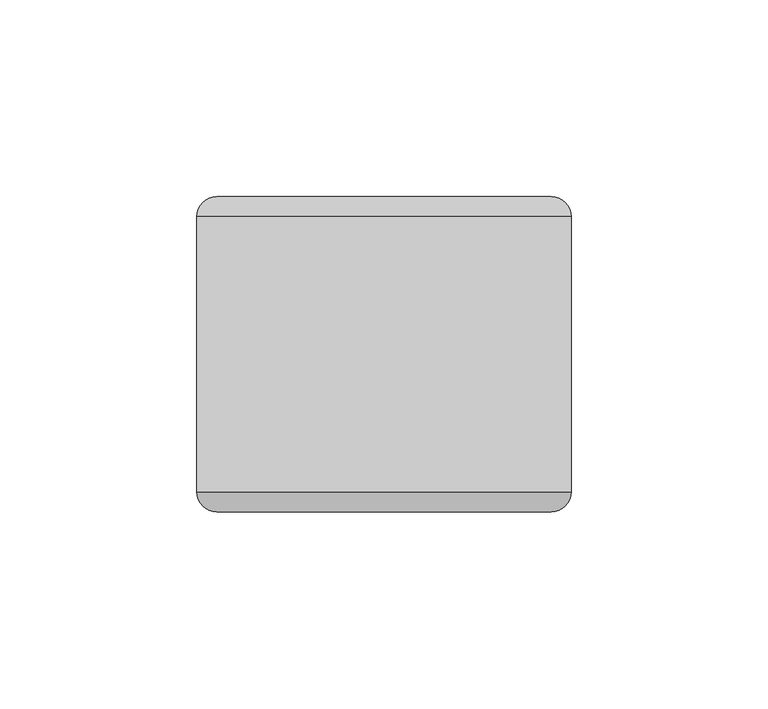
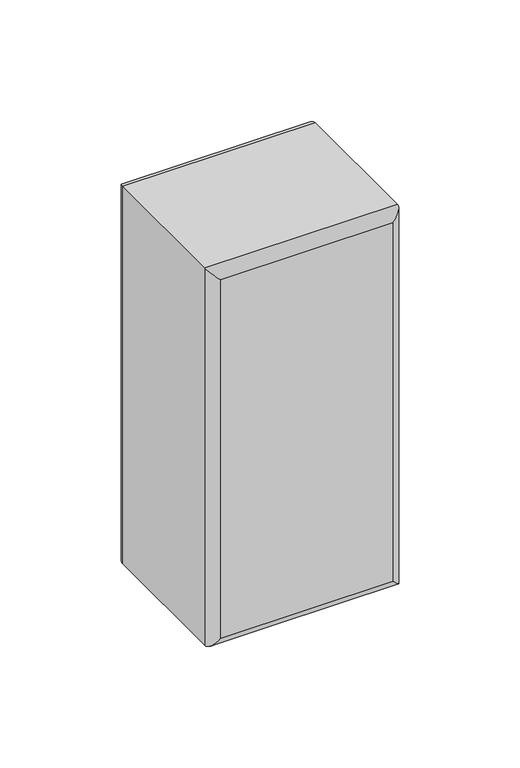
"""IFC4 building model written with IfcOpenShell, lengths in millimetres: plate geometry."""

from ifc_helpers import new_model, si_unit, frame, origin, place, context, project, spatial, ellipse_curve, source, transform, mapped, element, save
from ifc_brep_helpers import plane_surface, cylinder_surface, advanced_brep


def plate_59c00cc1(model_context):
    return source(origin(), model_context, "Body", "AdvancedBrep", [
        advanced_brep(
        [(-47.6250002, -35.0, 196.9869895), (47.3749998, -35.0, 196.9869895), (47.3749998, 35.0, 196.9869895), (-47.6250002, 35.0, 196.9869895), (47.3749998, -35.0, 0.0), (-47.6250002, -35.0, 0.0), (-47.6250002, 35.0, 0.0), (47.3749998, 35.0, 0.0), (-42.6250002, -40.0, 5.0), (42.3749998, -40.0, 5.0), (42.3749998, -40.0, 191.9869895), (-42.6250002, -40.0, 191.9869895), (42.3749998, 40.0, 5.0), (-42.6250002, 40.0, 5.0), (-42.6250002, 40.0, 191.9869895), (42.3749998, 40.0, 191.9869895)],
        [
            (0, 1),
            (1, 2),
            (2, 3),
            (3, 0),
            (4, 5),
            (5, 6),
            (6, 7),
            (7, 4),
            (8, 9),
            (9, 10),
            (10, 11),
            (11, 8),
            (1, 4),
            (7, 2),
            (12, 13),
            (13, 14),
            (14, 15),
            (15, 12),
            (5, 0),
            (3, 6),
            (4, 9, ellipse_curve(frame((42.3749998, -35.0, 5.0), z_axis=(-0.7071067811865475, 0.0, -0.7071067811865475), x_axis=(0.7071067811865476, 0.0, -0.7071067811865474)), 7.0710678, 5.0)),
            (8, 5, ellipse_curve(frame((-42.6250002, -35.0, 5.0), z_axis=(0.7071067811865475, 0.0, -0.7071067811865475), x_axis=(0.7071067811865476, 0.0, 0.7071067811865474)), 7.0710678, 5.0)),
            (1, 10, ellipse_curve(frame((42.3749998, -35.0, 191.9869895), z_axis=(0.7071067811865475, 0.0, -0.7071067811865475), x_axis=(0.7071067811865474, 0.0, 0.7071067811865476)), 7.0710678, 5.0)),
            (0, 11, ellipse_curve(frame((-42.6250002, -35.0, 191.9869895), z_axis=(0.7071067811865475, 0.0, 0.7071067811865475), x_axis=(-0.7071067811865476, 0.0, 0.7071067811865474)), 7.0710678, 5.0)),
            (12, 7, ellipse_curve(frame((42.3749998, 35.0, 5.0), z_axis=(-0.7071067811865475, 0.0, -0.7071067811865475), x_axis=(0.7071067811865476, 0.0, -0.7071067811865474)), 7.0710678, 5.0)),
            (6, 13, ellipse_curve(frame((-42.6250002, 35.0, 5.0), z_axis=(0.7071067811865475, 0.0, -0.7071067811865475), x_axis=(0.7071067811865476, 0.0, 0.7071067811865474)), 7.0710678, 5.0)),
            (15, 2, ellipse_curve(frame((42.3749998, 35.0, 191.9869895), z_axis=(0.7071067811865475, 0.0, -0.7071067811865475), x_axis=(0.7071067811865474, 0.0, 0.7071067811865476)), 7.0710678, 5.0)),
            (14, 3, ellipse_curve(frame((-42.6250002, 35.0, 191.9869895), z_axis=(0.7071067811865475, 0.0, 0.7071067811865475), x_axis=(-0.7071067811865476, 0.0, 0.7071067811865474)), 7.0710678, 5.0)),
        ],
        [
            plane_surface(frame((-47.6250002, -40.0, 196.9869895), z_axis=(0.0, 0.0, 1.0), x_axis=(1.0, 0.0, 0.0))),
            plane_surface(frame((-47.6250002, -40.0, 0.0), z_axis=(0.0, 0.0, -1.0), x_axis=(-1.0, 0.0, 0.0))),
            plane_surface(frame((-47.6250002, -40.0, 196.9869895), z_axis=(0.0, -1.0, 0.0), x_axis=(0.0, 0.0, -1.0))),
            plane_surface(frame((47.3749998, -40.0, 196.9869895), z_axis=(1.0, 0.0, 0.0), x_axis=(0.0, 0.0, -1.0))),
            plane_surface(frame((47.3749998, 40.0, 196.9869895), z_axis=(0.0, 1.0, 0.0), x_axis=(0.0, 0.0, -1.0))),
            plane_surface(frame((-47.6250002, 40.0, 196.9869895), z_axis=(-1.0, 0.0, 0.0), x_axis=(0.0, 0.0, -1.0))),
            cylinder_surface(frame((-47.6250002, -35.0, 5.0), z_axis=(1.0, 0.0, 0.0), x_axis=(0.0, 0.0, -1.0)), 5.0),
            cylinder_surface(frame((42.3749998, -35.0, 0.0), z_axis=(0.0, 0.0, 1.0), x_axis=(1.0, 0.0, 0.0)), 5.0),
            cylinder_surface(frame((47.3749998, -35.0, 191.9869895), z_axis=(-1.0, 0.0, 0.0), x_axis=(0.0, 0.0, 1.0)), 5.0),
            cylinder_surface(frame((-42.6250002, -35.0, 196.9869895), z_axis=(0.0, 0.0, -1.0), x_axis=(-1.0, 0.0, 0.0)), 5.0),
            cylinder_surface(frame((-47.6250002, 35.0, 5.0), z_axis=(1.0, 0.0, 0.0), x_axis=(0.0, 0.0, -1.0)), 5.0),
            cylinder_surface(frame((42.3749998, 35.0, 0.0), z_axis=(0.0, 0.0, 1.0), x_axis=(1.0, 0.0, 0.0)), 5.0),
            cylinder_surface(frame((47.3749998, 35.0, 191.9869895), z_axis=(-1.0, 0.0, 0.0), x_axis=(0.0, 0.0, 1.0)), 5.0),
            cylinder_surface(frame((-42.6250002, 35.0, 196.9869895), z_axis=(0.0, 0.0, -1.0), x_axis=(-1.0, 0.0, 0.0)), 5.0),
        ],
        [
            (0, [[1, 2, 3, 4]]),
            (1, [[5, 6, 7, 8]]),
            (2, [[9, 10, 11, 12]]),
            (3, [[13, -8, 14, -2]]),
            (4, [[15, 16, 17, 18]]),
            (5, [[19, -4, 20, -6]]),
            (6, [[21, -9, 22, -5]]),
            (7, [[-21, -13, 23, -10]]),
            (8, [[-23, -1, 24, -11]]),
            (9, [[-22, -12, -24, -19]]),
            (10, [[25, -7, 26, -15]]),
            (11, [[-25, -18, 27, -14]]),
            (12, [[-27, -17, 28, -3]]),
            (13, [[-26, -20, -28, -16]]),
        ],
    ),
    ])


if __name__ == "__main__":
    model = new_model("IFC4")
    model_context = context("Model", 3, world=origin())
    ifc_project = project(units=[si_unit("LENGTHUNIT", "METRE", prefix="MILLI")], contexts=[model_context])
    site = spatial("IfcSite", under=ifc_project)
    building = spatial("IfcBuilding", under=site)
    placement = place(None, origin())
    plate_shape = plate_59c00cc1(model_context)
    element("IfcPlate", 1, at=placement, inside=building, context=model_context, shape_type="MappedRepresentation", body=[
        mapped(plate_shape, transform((0.0, 0.0, 0.0), x_axis=(1.0, 0.0, 0.0), y_axis=(0.0, 1.0, 0.0), z_axis=(0.0, 0.0, 1.0))),
    ])
    save(model, "model.ifc")
